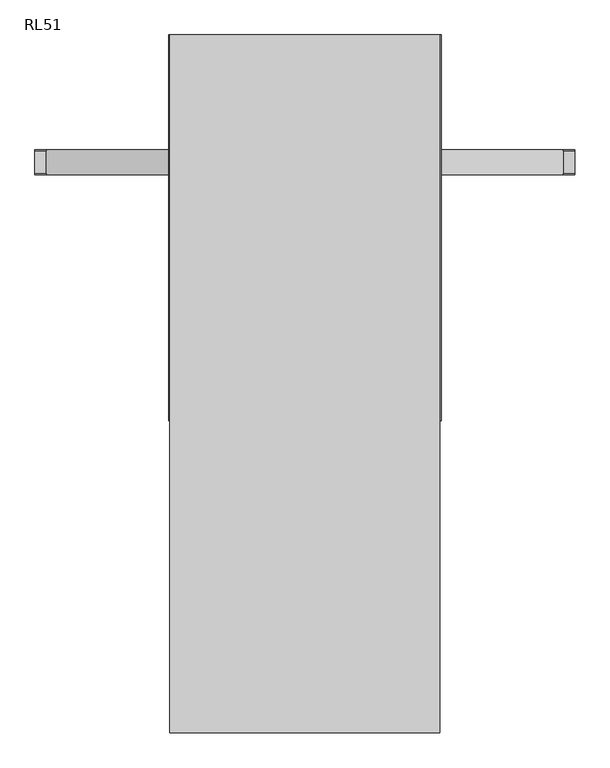
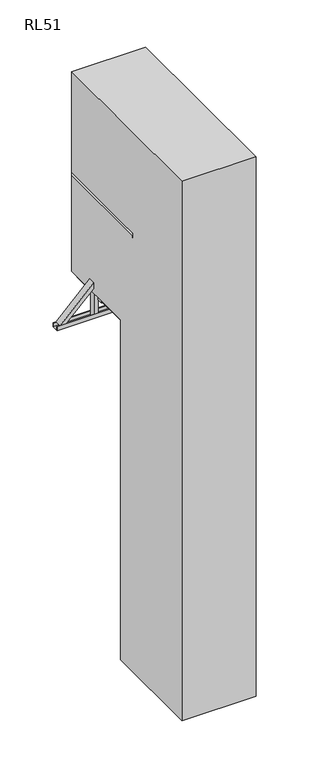
"""IFC4 building model written with IfcOpenShell, lengths in millimetres: proxy geometry, RL51."""

from ifc_helpers import new_model, si_unit, point, frame, frame_2d, origin, place, context, project, spatial, polyline, circle_curve, trimmed, segment, composite_curve, outline, extrude, faceted_brep, source, transform, mapped, element, save
from ifc_brep_helpers import plane_surface, cylinder_surface, advanced_brep


def rl51_83ec86d0(model_context):
    return source(origin(), model_context, "Body", "SolidModel", [
        extrude(outline(composite_curve([segment(polyline([(-53.0, 3074.8181818), (-53.0, 3091.8181818)]), True, "CONTINUOUS"), segment(trimmed(circle_curve(frame_2d((-30.5, 3078.847028)), 25.9711538), [point((-53.0, 3091.8181818))], [point((-8.0, 3091.8181818))], False, "CARTESIAN"), True, "CONTINUOUS"), segment(polyline([(-8.0, 3091.8181818), (-8.0, 3074.8181818), (-53.0, 3074.8181818)]), True, "CONTINUOUS")], self_intersect=False)), frame((-262.0, 0.0, 0.0), z_axis=(1.0, 0.0, 0.0), x_axis=(0.0, 1.0, 0.0)), (0.0, 0.0, 1.0), 524.0),
        extrude(outline(composite_curve([segment(polyline([(-53.0, 2779.6363636), (-53.0, 2796.6363636)]), True, "CONTINUOUS"), segment(trimmed(circle_curve(frame_2d((-30.5, 2783.6652098)), 25.9711538), [point((-53.0, 2796.6363636))], [point((-8.0, 2796.6363636))], False, "CARTESIAN"), True, "CONTINUOUS"), segment(polyline([(-8.0, 2796.6363636), (-8.0, 2779.6363636), (-53.0, 2779.6363636)]), True, "CONTINUOUS")], self_intersect=False)), frame((-262.0, 0.0, 0.0), z_axis=(1.0, 0.0, 0.0), x_axis=(0.0, 1.0, 0.0)), (0.0, 0.0, 1.0), 524.0),
        extrude(outline(composite_curve([segment(polyline([(-53.0, 2484.4545455), (-53.0, 2501.4545455)]), True, "CONTINUOUS"), segment(trimmed(circle_curve(frame_2d((-30.5, 2488.4833916)), 25.9711538), [point((-53.0, 2501.4545455))], [point((-8.0, 2501.4545455))], False, "CARTESIAN"), True, "CONTINUOUS"), segment(polyline([(-8.0, 2501.4545455), (-8.0, 2484.4545455), (-53.0, 2484.4545455)]), True, "CONTINUOUS")], self_intersect=False)), frame((-262.0, 0.0, 0.0), z_axis=(1.0, 0.0, 0.0), x_axis=(0.0, 1.0, 0.0)), (0.0, 0.0, 1.0), 524.0),
        extrude(outline(composite_curve([segment(polyline([(-53.0, 2189.2727273), (-53.0, 2206.2727273)]), True, "CONTINUOUS"), segment(trimmed(circle_curve(frame_2d((-30.5, 2193.3015734)), 25.9711538), [point((-53.0, 2206.2727273))], [point((-8.0, 2206.2727273))], False, "CARTESIAN"), True, "CONTINUOUS"), segment(polyline([(-8.0, 2206.2727273), (-8.0, 2189.2727273), (-53.0, 2189.2727273)]), True, "CONTINUOUS")], self_intersect=False)), frame((-262.0, 0.0, 0.0), z_axis=(1.0, 0.0, 0.0), x_axis=(0.0, 1.0, 0.0)), (0.0, 0.0, 1.0), 524.0),
        extrude(outline(composite_curve([segment(polyline([(-53.0, 1894.0909091), (-53.0, 1911.0909091)]), True, "CONTINUOUS"), segment(trimmed(circle_curve(frame_2d((-30.5, 1898.1197552)), 25.9711538), [point((-53.0, 1911.0909091))], [point((-8.0, 1911.0909091))], False, "CARTESIAN"), True, "CONTINUOUS"), segment(polyline([(-8.0, 1911.0909091), (-8.0, 1894.0909091), (-53.0, 1894.0909091)]), True, "CONTINUOUS")], self_intersect=False)), frame((-262.0, 0.0, 0.0), z_axis=(1.0, 0.0, 0.0), x_axis=(0.0, 1.0, 0.0)), (0.0, 0.0, 1.0), 524.0),
        extrude(outline(composite_curve([segment(polyline([(-53.0, 1598.9090909), (-53.0, 1615.9090909)]), True, "CONTINUOUS"), segment(trimmed(circle_curve(frame_2d((-30.5, 1602.9379371)), 25.9711538), [point((-53.0, 1615.9090909))], [point((-8.0, 1615.9090909))], False, "CARTESIAN"), True, "CONTINUOUS"), segment(polyline([(-8.0, 1615.9090909), (-8.0, 1598.9090909), (-53.0, 1598.9090909)]), True, "CONTINUOUS")], self_intersect=False)), frame((-262.0, 0.0, 0.0), z_axis=(1.0, 0.0, 0.0), x_axis=(0.0, 1.0, 0.0)), (0.0, 0.0, 1.0), 524.0),
        extrude(outline(composite_curve([segment(polyline([(-53.0, 1303.7272727), (-53.0, 1320.7272727)]), True, "CONTINUOUS"), segment(trimmed(circle_curve(frame_2d((-30.5, 1307.7561189)), 25.9711538), [point((-53.0, 1320.7272727))], [point((-8.0, 1320.7272727))], False, "CARTESIAN"), True, "CONTINUOUS"), segment(polyline([(-8.0, 1320.7272727), (-8.0, 1303.7272727), (-53.0, 1303.7272727)]), True, "CONTINUOUS")], self_intersect=False)), frame((-262.0, 0.0, 0.0), z_axis=(1.0, 0.0, 0.0), x_axis=(0.0, 1.0, 0.0)), (0.0, 0.0, 1.0), 524.0),
        extrude(outline(composite_curve([segment(polyline([(-53.0, 1008.5454545), (-53.0, 1025.5454545)]), True, "CONTINUOUS"), segment(trimmed(circle_curve(frame_2d((-30.5, 1012.5743007)), 25.9711538), [point((-53.0, 1025.5454545))], [point((-8.0, 1025.5454545))], False, "CARTESIAN"), True, "CONTINUOUS"), segment(polyline([(-8.0, 1025.5454545), (-8.0, 1008.5454545), (-53.0, 1008.5454545)]), True, "CONTINUOUS")], self_intersect=False)), frame((-262.0, 0.0, 0.0), z_axis=(1.0, 0.0, 0.0), x_axis=(0.0, 1.0, 0.0)), (0.0, 0.0, 1.0), 524.0),
        extrude(outline(composite_curve([segment(polyline([(-53.0, 713.3636364), (-53.0, 730.3636364)]), True, "CONTINUOUS"), segment(trimmed(circle_curve(frame_2d((-30.5, 717.3924825)), 25.9711538), [point((-53.0, 730.3636364))], [point((-8.0, 730.3636364))], False, "CARTESIAN"), True, "CONTINUOUS"), segment(polyline([(-8.0, 730.3636364), (-8.0, 713.3636364), (-53.0, 713.3636364)]), True, "CONTINUOUS")], self_intersect=False)), frame((-262.0, 0.0, 0.0), z_axis=(1.0, 0.0, 0.0), x_axis=(0.0, 1.0, 0.0)), (0.0, 0.0, 1.0), 524.0),
        extrude(outline(composite_curve([segment(polyline([(-53.0, 418.1818182), (-53.0, 435.1818182)]), True, "CONTINUOUS"), segment(trimmed(circle_curve(frame_2d((-30.5, 422.2106643)), 25.9711538), [point((-53.0, 435.1818182))], [point((-8.0, 435.1818182))], False, "CARTESIAN"), True, "CONTINUOUS"), segment(polyline([(-8.0, 435.1818182), (-8.0, 418.1818182), (-53.0, 418.1818182)]), True, "CONTINUOUS")], self_intersect=False)), frame((-262.0, 0.0, 0.0), z_axis=(1.0, 0.0, 0.0), x_axis=(0.0, 1.0, 0.0)), (0.0, 0.0, 1.0), 524.0),
        extrude(outline(composite_curve([segment(polyline([(-53.0, 3370.0), (-53.0, 3387.0)]), True, "CONTINUOUS"), segment(trimmed(circle_curve(frame_2d((-30.5, 3374.0288462)), 25.9711538), [point((-53.0, 3387.0))], [point((-8.0, 3387.0))], False, "CARTESIAN"), True, "CONTINUOUS"), segment(polyline([(-8.0, 3387.0), (-8.0, 3370.0), (-53.0, 3370.0)]), True, "CONTINUOUS")], self_intersect=False)), frame((-262.0, 0.0, 0.0), z_axis=(1.0, 0.0, 0.0), x_axis=(0.0, 1.0, 0.0)), (0.0, 0.0, 1.0), 524.0),
        extrude(outline(composite_curve([segment(polyline([(-53.0, 123.0), (-53.0, 140.0)]), True, "CONTINUOUS"), segment(trimmed(circle_curve(frame_2d((-30.5, 127.0288462)), 25.9711538), [point((-53.0, 140.0))], [point((-8.0, 140.0))], False, "CARTESIAN"), True, "CONTINUOUS"), segment(polyline([(-8.0, 140.0), (-8.0, 123.0), (-53.0, 123.0)]), True, "CONTINUOUS")], self_intersect=False)), frame((-262.0, 0.0, 0.0), z_axis=(1.0, 0.0, 0.0), x_axis=(0.0, 1.0, 0.0)), (0.0, 0.0, 1.0), 524.0),
        extrude(outline(polyline([(300.0, -59.5), (262.0, -59.5), (262.0, -1.5), (300.0, -1.5), (300.0, -59.5)])), frame((0.0, 0.0, 3.0), z_axis=(0.0, 0.0, 1.0), x_axis=(1.0, 0.0, 0.0)), (0.0, 0.0, 1.0), 4447.0),
        extrude(outline(polyline([(-262.0, -59.5), (-300.0, -59.5), (-300.0, -1.5), (-262.0, -1.5), (-262.0, -59.5)])), frame((0.0, 0.0, 3.0), z_axis=(0.0, 0.0, 1.0), x_axis=(1.0, 0.0, 0.0)), (0.0, 0.0, 1.0), 4447.0),
        faceted_brep([(-303.5, -250.5, 0.0), (-250.5, -250.5, 0.0), (-250.5, -250.5, 3.0), (-300.5, -250.5, 3.0), (-303.5, -250.5, 3.0), (-300.5, 109.5, 3.0), (-250.5, 109.5, 3.0), (-250.5, 109.5, 0.0), (-303.5, 109.5, 0.0), (-303.5, 109.5, 3.0), (-300.5, -203.5, 50.0), (-300.5, 62.5, 50.0), (-303.5, 62.5, 50.0), (-303.5, -203.5, 50.0)], [[[0, 1, 2, 3, 4]], [[5, 6, 7, 8, 9]], [[10, 11, 12, 13]], [[8, 0, 4, 13, 12, 9]], [[1, 0, 8, 7]], [[2, 1, 7, 6]], [[3, 2, 6, 5]], [[3, 5, 11, 10]], [[5, 9, 12, 11]], [[4, 3, 10, 13]]]),
        faceted_brep([(300.5, -250.5, 3.0), (250.5, -250.5, 3.0), (250.5, -250.5, 0.0), (303.5, -250.5, 0.0), (303.5, -250.5, 3.0), (303.5, 109.5, 0.0), (250.5, 109.5, 0.0), (250.5, 109.5, 3.0), (300.5, 109.5, 3.0), (303.5, 109.5, 3.0), (303.5, 62.5, 50.0), (303.5, -203.5, 50.0), (300.5, 62.5, 50.0), (300.5, -203.5, 50.0)], [[[0, 1, 2, 3, 4]], [[5, 6, 7, 8, 9]], [[1, 0, 8, 7]], [[2, 1, 7, 6]], [[3, 2, 6, 5]], [[3, 5, 9, 10, 11, 4]], [[11, 10, 12, 13]], [[8, 0, 13, 12]], [[9, 8, 12, 10]], [[0, 4, 11, 13]]]),
        advanced_brep(
        [(309.5, 1000.0, 3886.25), (309.5, 1000.0, 3859.75), (309.5, 41.3809842, 3886.25), (309.5, 41.3809842, 3859.75), (294.5187617, 41.3809842, 3893.0)],
        [
            (0, 1),
            (1, 0, circle_curve(frame((294.5187617, 1000.0, 3873.0), z_axis=(0.0, 1.0, 0.0), x_axis=(-1.0, 0.0, 0.0)), 20.0)),
            (0, 2),
            (2, 3),
            (3, 1),
            (3, 4, circle_curve(frame((294.5187617, 41.3809842, 3873.0), z_axis=(0.0, 1.0, 0.0), x_axis=(-1.0, 0.0, 0.0)), 20.0)),
            (4, 2, circle_curve(frame((294.5187617, 41.3809842, 3873.0), z_axis=(0.0, 1.0, 0.0), x_axis=(-1.0, 0.0, 0.0)), 20.0)),
        ],
        [
            plane_surface(frame((274.5187617, 1000.0, 3873.0), z_axis=(0.0, 1.0, 0.0), x_axis=(0.0, 0.0, 1.0))),
            plane_surface(frame((309.5, 0.0, 3859.75), z_axis=(1.0, 0.0, 0.0), x_axis=(0.0, 1.0, 0.0))),
            cylinder_surface(frame((294.5187617, 1000.0, 3873.0), z_axis=(0.0, -1.0, 0.0), x_axis=(-1.0, 0.0, 0.0)), 20.0),
            plane_surface(frame((372.2487373, 41.3809842, 3400.0), z_axis=(0.0, -1.0, 0.0), x_axis=(-1.0, 0.0, 0.0))),
        ],
        [
            (0, [[1, 2]]),
            (1, [[-1, 3, 4, 5]]),
            (2, [[-2, -5, 6, 7, -3]]),
            (3, [[-4, -7, -6]]),
        ],
    ),
        advanced_brep(
        [(-309.5, 1000.0, 3886.25), (-309.5, 1000.0, 3859.75), (-309.5, 41.3809842, 3859.75), (-309.5, 41.3809842, 3886.25), (-294.5187617, 41.3809842, 3893.0)],
        [
            (0, 1, circle_curve(frame((-294.5187617, 1000.0, 3873.0), z_axis=(0.0, 1.0, 0.0), x_axis=(1.0, 0.0, 0.0)), 20.0)),
            (1, 0),
            (1, 2),
            (2, 3),
            (3, 0),
            (3, 4, circle_curve(frame((-294.5187617, 41.3809842, 3873.0), z_axis=(0.0, 1.0, 0.0), x_axis=(1.0, 0.0, 0.0)), 20.0)),
            (4, 2, circle_curve(frame((-294.5187617, 41.3809842, 3873.0), z_axis=(0.0, 1.0, 0.0), x_axis=(1.0, 0.0, 0.0)), 20.0)),
        ],
        [
            plane_surface(frame((-309.5, 1000.0, 3859.75), z_axis=(0.0, 1.0, 0.0), x_axis=(0.0, 0.0, 1.0))),
            plane_surface(frame((-309.5, 0.0, 3886.25), z_axis=(-1.0, 0.0, 0.0), x_axis=(0.0, 1.0, 0.0))),
            cylinder_surface(frame((-294.5187617, 1000.0, 3873.0), z_axis=(0.0, -1.0, 0.0), x_axis=(1.0, 0.0, 0.0)), 20.0),
            plane_surface(frame((372.2487373, 41.3809842, 3400.0), z_axis=(0.0, -1.0, 0.0), x_axis=(-1.0, 0.0, 0.0))),
        ],
        [
            (0, [[1, 2]]),
            (1, [[-2, 3, 4, 5]]),
            (2, [[-1, -5, 6, 7, -3]]),
            (3, [[-4, -7, -6]]),
        ],
    ),
        advanced_brep(
        [(307.5, 0.0, 4361.43534), (307.5, 0.0, 4343.0), (349.5, 0.0, 4343.0), (349.5, 0.0, 4361.43534), (328.5, 0.0, 4400.0), (349.5, 1000.0, 4361.43534), (349.5, 1000.0, 4343.0), (307.5, 1000.0, 4343.0), (307.5, 1000.0, 4361.43534)],
        [
            (0, 1),
            (1, 2),
            (2, 3),
            (3, 4, circle_curve(frame((328.5, 0.0, 4375.0), z_axis=(0.0, -1.0, 0.0), x_axis=(-1.0, 0.0, 0.0)), 25.0)),
            (4, 0, circle_curve(frame((328.5, 0.0, 4375.0), z_axis=(0.0, -1.0, 0.0), x_axis=(-1.0, 0.0, 0.0)), 25.0)),
            (5, 6),
            (6, 7),
            (7, 8),
            (8, 5, circle_curve(frame((328.5, 1000.0, 4375.0), z_axis=(0.0, 1.0, 0.0), x_axis=(-1.0, 0.0, 0.0)), 25.0)),
            (2, 6),
            (5, 3),
            (1, 7),
            (0, 8),
        ],
        [
            plane_surface(frame((303.5, 0.0, 4375.0), z_axis=(0.0, -1.0, 0.0), x_axis=(0.0, 0.0, -1.0))),
            plane_surface(frame((303.5, 1000.0, 4375.0), z_axis=(0.0, 1.0, 0.0), x_axis=(0.0, 0.0, 1.0))),
            plane_surface(frame((349.5, 0.0, 4343.0), z_axis=(1.0, 0.0, 0.0), x_axis=(0.0, 1.0, 0.0))),
            plane_surface(frame((307.5, 0.0, 4343.0), z_axis=(0.0, 0.0, -1.0), x_axis=(0.0, 1.0, 0.0))),
            plane_surface(frame((307.5, 0.0, 4361.43534), z_axis=(-1.0, 0.0, 0.0), x_axis=(0.0, 1.0, 0.0))),
            cylinder_surface(frame((328.5, 1000.0, 4375.0), z_axis=(0.0, -1.0, 0.0), x_axis=(-1.0, 0.0, 0.0)), 25.0),
        ],
        [
            (0, [[1, 2, 3, 4, 5]]),
            (1, [[6, 7, 8, 9]]),
            (2, [[-3, 10, -6, 11]]),
            (3, [[-2, 12, -7, -10]]),
            (4, [[-1, 13, -8, -12]]),
            (5, [[-9, -13, -5, -4, -11]]),
        ],
    ),
        advanced_brep(
        [(-349.5, 0.0, 4361.43534), (-349.5, 0.0, 4343.0), (-307.5, 0.0, 4343.0), (-307.5, 0.0, 4361.43534), (-328.5, 0.0, 4400.0), (-349.5, 1000.0, 4361.43534), (-307.5, 1000.0, 4361.43534), (-307.5, 1000.0, 4343.0), (-349.5, 1000.0, 4343.0)],
        [
            (0, 1),
            (1, 2),
            (2, 3),
            (3, 4, circle_curve(frame((-328.5, 0.0, 4375.0), z_axis=(0.0, -1.0, 0.0), x_axis=(1.0, 0.0, 0.0)), 25.0)),
            (4, 0, circle_curve(frame((-328.5, 0.0, 4375.0), z_axis=(0.0, -1.0, 0.0), x_axis=(1.0, 0.0, 0.0)), 25.0)),
            (5, 6, circle_curve(frame((-328.5, 1000.0, 4375.0), z_axis=(0.0, 1.0, 0.0), x_axis=(1.0, 0.0, 0.0)), 25.0)),
            (6, 7),
            (7, 8),
            (8, 5),
            (0, 5),
            (8, 1),
            (7, 2),
            (6, 3),
        ],
        [
            plane_surface(frame((-349.5, 0.0, 4343.0), z_axis=(0.0, -1.0, 0.0), x_axis=(0.0, 0.0, -1.0))),
            plane_surface(frame((-349.5, 1000.0, 4343.0), z_axis=(0.0, 1.0, 0.0), x_axis=(0.0, 0.0, 1.0))),
            plane_surface(frame((-349.5, 0.0, 4361.43534), z_axis=(-1.0, 0.0, 0.0), x_axis=(0.0, 1.0, 0.0))),
            plane_surface(frame((-349.5, 0.0, 4343.0), z_axis=(0.0, 0.0, -1.0), x_axis=(0.0, 1.0, 0.0))),
            plane_surface(frame((-307.5, 0.0, 4343.0), z_axis=(1.0, 0.0, 0.0), x_axis=(0.0, 1.0, 0.0))),
            cylinder_surface(frame((-328.5, 1000.0, 4375.0), z_axis=(0.0, -1.0, 0.0), x_axis=(1.0, 0.0, 0.0)), 25.0),
        ],
        [
            (0, [[1, 2, 3, 4, 5]]),
            (1, [[6, 7, 8, 9]]),
            (2, [[-1, 10, -9, 11]]),
            (3, [[-2, -11, -8, 12]]),
            (4, [[-3, -12, -7, 13]]),
            (5, [[-6, -10, -5, -4, -13]]),
        ],
    ),
        extrude(outline(polyline([(300.0, 1000.0), (300.0, 0.0), (-300.0, 0.0), (-300.0, 1000.0), (300.0, 1000.0)]), holes=[polyline([(262.0, 962.0), (-262.0, 962.0), (-262.0, 38.0), (262.0, 38.0), (262.0, 962.0)])]), frame((0.0, 0.0, 3324.2375855), z_axis=(0.0, 0.0, 1.0), x_axis=(1.0, 0.0, 0.0)), (0.0, 0.0, 1.0), 57.2624145),
        extrude(outline(polyline([(702.5, 3188.0), (702.5, 3150.0), (637.5, 3150.0), (637.5, 3188.0), (640.5, 3188.0), (640.5, 3153.0), (699.5, 3153.0), (699.5, 3188.0), (702.5, 3188.0)])), frame((-700.0, 0.0, 0.0), z_axis=(1.0, 0.0, 0.0), x_axis=(0.0, 1.0, 0.0)), (0.0, 0.0, 1.0), 1400.0),
        extrude(outline(polyline([(-29.0, -38.0), (-32.0, -38.0), (-32.0, 0.0), (32.0, 0.0), (32.0, -38.0), (29.0, -38.0), (29.0, -2.9999999), (-29.0, -2.9999999), (-29.0, -38.0)])), frame((670.0, 670.0, 3188.0), z_axis=(-0.7071067811865461, 0.0, 0.7071067811865491), x_axis=(0.0, -1.0, 0.0)), (0.0, 0.0, 1.0), 456.0838739),
        extrude(outline(polyline([(-29.0, 38.0), (-29.0, 2.9999999), (29.0, 2.9999999), (29.0, 38.0), (32.0, 38.0), (32.0, 0.0), (-32.0, 0.0), (-32.0, 38.0), (-29.0, 38.0)])), frame((-670.0, 670.0, 3188.0), z_axis=(0.7071067811865526, 0.0, 0.7071067811865425), x_axis=(0.0, -1.0, 0.0)), (0.0, 0.0, 1.0), 456.0838739),
        extrude(outline(polyline([(347.5, 699.0), (347.5, 641.0), (309.5, 641.0), (309.5, 699.0), (347.5, 699.0)])), frame((0.0, 0.0, 3153.0), z_axis=(0.0, 0.0, 1.0), x_axis=(1.0, 0.0, 0.0)), (0.0, 0.0, 1.0), 1190.0),
        extrude(outline(polyline([(347.5, 699.0), (347.5, 641.0), (309.5, 641.0), (309.5, 699.0), (347.5, 699.0)])), frame((0.0, 0.0, 3153.0), z_axis=(0.0, 0.0, 1.0), x_axis=(1.0, 0.0, 0.0)), (0.0, 0.0, 1.0), 1190.0),
        extrude(outline(polyline([(-309.5, 699.0), (-309.5, 641.0), (-347.5, 641.0), (-347.5, 699.0), (-309.5, 699.0)])), frame((0.0, 0.0, 3153.0), z_axis=(0.0, 0.0, 1.0), x_axis=(1.0, 0.0, 0.0)), (0.0, 0.0, 1.0), 1190.0),
        extrude(outline(polyline([(-309.5, 699.0), (-309.5, 641.0), (-347.5, 641.0), (-347.5, 699.0), (-309.5, 699.0)])), frame((0.0, 0.0, 3153.0), z_axis=(0.0, 0.0, 1.0), x_axis=(1.0, 0.0, 0.0)), (0.0, 0.0, 1.0), 1190.0),
        extrude(outline(polyline([(300.0, 1000.0), (300.0, 0.0), (-300.0, 0.0), (-300.0, 1000.0), (300.0, 1000.0)])), frame((0.0, 0.0, 3381.5), z_axis=(0.0, 0.0, 1.0), x_axis=(1.0, 0.0, 0.0)), (0.0, 0.0, 1.0), 18.5),
        extrude(outline(polyline([(0.0, -75.0156698), (0.0, 0.0), (6.0, 0.0), (6.0, -75.0156698), (0.0, -75.0156698)])), frame((300.0, 61.9987697, 3324.2375855), z_axis=(0.0, -0.22820939732088083, 0.9736120741724809), x_axis=(1.0, 0.0, 0.0)), (0.0, 0.0, 1.0), 56.5477611),
        extrude(outline(polyline([(0.0, -75.0156698), (0.0, 0.0), (6.0, 0.0), (6.0, -75.0156698), (0.0, -75.0156698)])), frame((-300.0, -11.0373922, 3307.1183047), z_axis=(0.0, -0.22820939732088125, 0.9736120741724809), x_axis=(-1.0, 0.0, 0.0)), (0.0, 0.0, 1.0), 56.5477611),
        extrude(outline(polyline([(300.0, 590.0), (300.0, 750.0), (309.5, 750.0), (309.5, 590.0), (300.0, 590.0)])), frame((0.0, 0.0, 3320.0), z_axis=(0.0, 0.0, 1.0), x_axis=(1.0, 0.0, 0.0)), (0.0, 0.0, 1.0), 80.0),
        extrude(outline(polyline([(300.0, 590.0), (300.0, 750.0), (309.5, 750.0), (309.5, 590.0), (300.0, 590.0)])), frame((0.0, 0.0, 3320.0), z_axis=(0.0, 0.0, 1.0), x_axis=(1.0, 0.0, 0.0)), (0.0, 0.0, 1.0), 80.0),
        extrude(outline(polyline([(-300.0, 750.0), (-300.0, 590.0), (-309.5, 590.0), (-309.5, 750.0), (-300.0, 750.0)])), frame((0.0, 0.0, 3320.0), z_axis=(0.0, 0.0, 1.0), x_axis=(1.0, 0.0, 0.0)), (0.0, 0.0, 1.0), 80.0),
        extrude(outline(polyline([(-300.0, 750.0), (-300.0, 590.0), (-309.5, 590.0), (-309.5, 750.0), (-300.0, 750.0)])), frame((0.0, 0.0, 3320.0), z_axis=(0.0, 0.0, 1.0), x_axis=(1.0, 0.0, 0.0)), (0.0, 0.0, 1.0), 80.0),
        extrude(outline(polyline([(262.0, 540.5), (262.0, 502.5), (-262.0, 502.5), (-262.0, 540.5), (262.0, 540.5)])), frame((0.0, 0.0, 3323.5), z_axis=(0.0, 0.0, 1.0), x_axis=(1.0, 0.0, 0.0)), (0.0, 0.0, 1.0), 58.0),
        extrude(outline(polyline([(200.0, 3400.0), (200.0, 0.0), (-809.5, 0.0), (-809.5, 5400.0), (1000.0, 5400.0), (1000.0, 3400.0), (200.0, 3400.0)])), frame((-350.0, 0.0, 0.0), z_axis=(1.0, 0.0, 0.0), x_axis=(0.0, 1.0, 0.0)), (0.0, 0.0, 1.0), 700.0),
        extrude(outline(polyline([(306.5, 200.0), (306.5, -30.5), (300.5, -30.5), (300.5, 195.0), (-300.5, 195.0), (-300.5, -30.5), (-306.5, -30.5), (-306.5, 200.0), (306.5, 200.0)])), frame((0.0, 0.0, 2760.0), z_axis=(0.0, 0.0, 1.0), x_axis=(1.0, 0.0, 0.0)), (0.0, 0.0, 1.0), 80.0),
        extrude(outline(polyline([(306.5, 200.0), (306.5, -30.5), (300.5, -30.5), (300.5, 195.0), (-300.5, 195.0), (-300.5, -30.5), (-306.5, -30.5), (-306.5, 200.0), (306.5, 200.0)])), frame((0.0, 0.0, 1360.0), z_axis=(0.0, 0.0, 1.0), x_axis=(1.0, 0.0, 0.0)), (0.0, 0.0, 1.0), 80.0),
        extrude(outline(polyline([(306.5, 200.0), (306.5, -30.5), (300.5, -30.5), (300.5, 195.0), (-300.5, 195.0), (-300.5, -30.5), (-306.5, -30.5), (-306.5, 200.0), (306.5, 200.0)])), frame((0.0, 0.0, 1360.0), z_axis=(0.0, 0.0, 1.0), x_axis=(1.0, 0.0, 0.0)), (0.0, 0.0, 1.0), 80.0),
    ])


if __name__ == "__main__":
    model = new_model("IFC4")
    model_context = context("Model", 3, world=origin())
    ifc_project = project(units=[si_unit("LENGTHUNIT", "METRE", prefix="MILLI")], contexts=[model_context])
    site = spatial("IfcSite", under=ifc_project)
    building = spatial("IfcBuilding", under=site)
    placement = place(None, origin())
    rl51_shape = rl51_83ec86d0(model_context)
    element("IfcBuildingElementProxy", 1, Name="RL51", ObjectType="RL51", at=placement, inside=building, context=model_context, shape_type="MappedRepresentation", body=[
        mapped(rl51_shape, transform((0.0, 0.0, 0.0), x_axis=(1.0, 0.0, 0.0), y_axis=(0.0, 1.0, 0.0), z_axis=(0.0, 0.0, 1.0))),
    ])
    save(model, "model.ifc")
